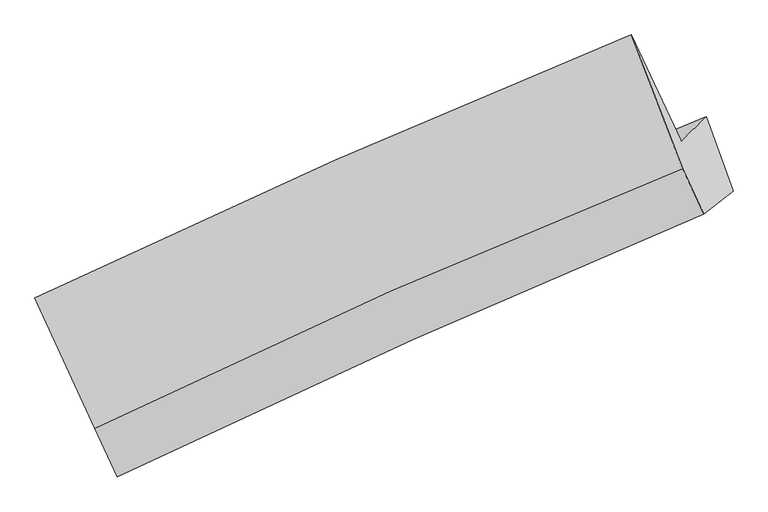
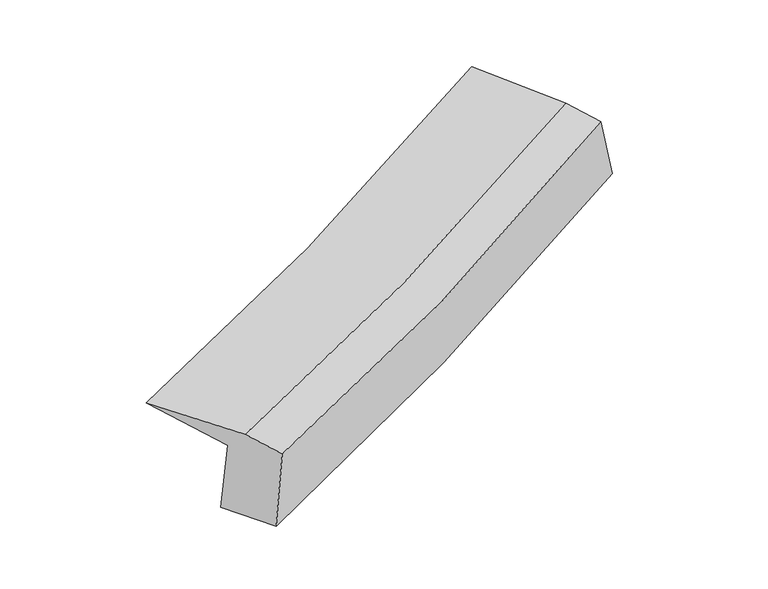
"""IFC4 building model written with IfcOpenShell, lengths in millimetres: proxy geometry."""

import ifcopenshell
import ifcopenshell.guid

model = None  # the IFC model being written
_history = None  # IfcOwnerHistory: only IFC2X3 demands one
_inside = {}  # id of a spatial element -> (the spatial element, [elements in it])
_under = {}  # id of a project, library or spatial element -> (it, [spatial elements below it])
_declared = {}  # id of a project -> (the project, [libraries it declares])
_typed = {}  # id of a type object -> (the type object, [elements of that type])
_made_of = {}  # id of a material, layer set ... -> (it, [elements and type objects made of it])


def new_model(schema):
    """Start an empty IFC model of exactly this schema.

    Asked for "IFC4X3", IfcOpenShell would pick the latest addendum, in which some entities
    have other attributes; the version numbers below select the first issue.
    IFC2X3 requires an IfcOwnerHistory on every rooted entity: one is made here for all.
    """
    global model, _history
    if schema == "IFC4X3":
        model = ifcopenshell.file(schema_version=(4, 3, 0, 0))
    else:
        model = ifcopenshell.file(schema=schema)
    _inside.clear()
    _under.clear()
    _declared.clear()
    _typed.clear()
    _made_of.clear()
    _history = None
    if model.schema == "IFC2X3":
        org = make("IfcOrganization", Name="unknown")
        user = make(
            "IfcPersonAndOrganization",
            ThePerson=make("IfcPerson", FamilyName="unknown"),
            TheOrganization=org,
        )
        app = make(
            "IfcApplication",
            ApplicationDeveloper=org,
            Version="unknown",
            ApplicationFullName="unknown",
            ApplicationIdentifier="unknown",
        )
        _history = make(
            "IfcOwnerHistory",
            OwningUser=user,
            OwningApplication=app,
            ChangeAction="ADDED",
            CreationDate=0,
        )
    return model


def make(cls, **values):
    """One entity of the class cls with the attributes given. An attribute that is None is left unset."""
    return model.create_entity(
        cls, **{name: value for name, value in values.items() if value is not None}
    )


def rooted(cls, **values):
    """An entity with a GlobalId (a new one), such as an element, a storey or a relation."""
    return make(cls, GlobalId=ifcopenshell.guid.new(), OwnerHistory=_history, **values)


def si_unit(unit_type, name, prefix=None):
    """IfcSIUnit, for example si_unit("LENGTHUNIT", "METRE", prefix="MILLI")."""
    return make("IfcSIUnit", UnitType=unit_type, Prefix=prefix, Name=name)


def assignment(units):
    """IfcUnitAssignment: the units of a project."""
    return None if units is None else make("IfcUnitAssignment", Units=units)


def point(xyz):
    """IfcCartesianPoint."""
    return None if xyz is None else make("IfcCartesianPoint", Coordinates=xyz)


def direction(xyz):
    """IfcDirection."""
    return None if xyz is None else make("IfcDirection", DirectionRatios=xyz)


def frame(location, z_axis=None, x_axis=None):
    """IfcAxis2Placement3D, a coordinate frame: its origin and axes. An axis left out is left unset."""
    return make(
        "IfcAxis2Placement3D",
        Location=point(location),
        Axis=direction(z_axis),
        RefDirection=direction(x_axis),
    )


def origin():
    """The frame at (0, 0, 0) with its axes left unset."""
    return frame((0.0, 0.0, 0.0))


def place(relative_to, where):
    """IfcLocalPlacement: puts the frame where relative to a parent placement (None: the world)."""
    return make(
        "IfcLocalPlacement", PlacementRelTo=relative_to, RelativePlacement=where
    )


def context(
    kind, dimensions, precision=None, world=None, true_north=None, identifier=None
):
    """IfcGeometricRepresentationContext, for example the 3D "Model" context."""
    return make(
        "IfcGeometricRepresentationContext",
        ContextIdentifier=identifier,
        ContextType=kind,
        CoordinateSpaceDimension=dimensions,
        Precision=precision,
        WorldCoordinateSystem=world,
        TrueNorth=true_north,
    )


def project(units=None, contexts=None):
    """IfcProject with its units and contexts."""
    return rooted(
        "IfcProject",
        Name="project",
        RepresentationContexts=contexts,
        UnitsInContext=assignment(units),
    )


def spatial(cls, under=None, at=None, **own):
    """A site, building, storey or space (cls), placed at a placement, below another one or the project."""
    s = rooted(cls, ObjectPlacement=at, **own)
    if under is not None:
        _under.setdefault(under.id(), (under, []))[1].append(s)
    return s


def shape(context_of_items, identifier, shape_type, items):
    """IfcShapeRepresentation: the items that make up one representation, for example the "Body"."""
    return make(
        "IfcShapeRepresentation",
        ContextOfItems=context_of_items,
        RepresentationIdentifier=identifier,
        RepresentationType=shape_type,
        Items=items,
    )


def source(mapping_origin, context_of_items, identifier, shape_type, items):
    """IfcRepresentationMap: a shape defined once, which mapped items show again and again."""
    return make(
        "IfcRepresentationMap",
        MappingOrigin=mapping_origin,
        MappedRepresentation=shape(context_of_items, identifier, shape_type, items),
    )


def transform(
    local_origin,
    x_axis=None,
    y_axis=None,
    z_axis=None,
    scale=None,
    scale2=None,
    scale3=None,
    uniform=True,
):
    """IfcCartesianTransformationOperator3D, or its non-uniform kind. x_axis, y_axis, z_axis: its Axis1, 2, 3."""
    if uniform:
        return make(
            "IfcCartesianTransformationOperator3D",
            Axis1=direction(x_axis),
            Axis2=direction(y_axis),
            LocalOrigin=point(local_origin),
            Scale=scale,
            Axis3=direction(z_axis),
        )
    return make(
        "IfcCartesianTransformationOperator3DnonUniform",
        Axis1=direction(x_axis),
        Axis2=direction(y_axis),
        LocalOrigin=point(local_origin),
        Scale=scale,
        Axis3=direction(z_axis),
        Scale2=scale2,
        Scale3=scale3,
    )


def mapped(mapping_source, mapping_target):
    """IfcMappedItem: shows the shape of a source again, moved by a transform."""
    return make(
        "IfcMappedItem", MappingSource=mapping_source, MappingTarget=mapping_target
    )


def made_of(thing, what):
    """Note that an element or type object is made of a material, layer set ...; save() writes the relation."""
    if what is not None:
        _made_of.setdefault(what.id(), (what, []))[1].append(thing)
    return thing


def element(
    cls,
    number,
    at=None,
    inside=None,
    cuts=None,
    type_object=None,
    material=None,
    context=None,
    identifier="Body",
    shape_type=None,
    held_by="IfcProductDefinitionShape",
    body=None,
    shapes=None,
    **own,
):
    """One element of the class cls, such as IfcWall. Its Tag is "e" and its number.

    at: its placement. inside: the storey or other place that contains it. cuts: it is an
    opening in that element (IfcRelVoidsElement). A single representation is given by context,
    identifier, shape_type and body (its items); several are given by shapes. held_by: the class
    of the entity that holds the representations. save() writes the other relations.
    """
    e = rooted(cls, Tag="e%d" % number, ObjectPlacement=at, **own)
    if body is not None:
        shapes = [shape(context, identifier, shape_type, body)]
    if shapes is not None:
        e.Representation = make(held_by, Representations=shapes)
    if inside is not None:
        _inside.setdefault(inside.id(), (inside, []))[1].append(e)
    if cuts is not None:
        rooted(
            "IfcRelVoidsElement", RelatingBuildingElement=cuts, RelatedOpeningElement=e
        )
    if type_object is not None:
        _typed.setdefault(type_object.id(), (type_object, []))[1].append(e)
    return made_of(e, material)


def aggregate(whole, parts):
    """IfcRelAggregates: a whole, such as a stair, and the parts it consists of."""
    return rooted("IfcRelAggregates", RelatingObject=whole, RelatedObjects=parts)


def save(model, path):
    """Write the relations noted so far, then the file.

    IfcRelAggregates (storeys below a building ...), IfcRelContainedInSpatialStructure (elements
    in a storey), IfcRelDefinesByType, IfcRelAssociatesMaterial and IfcRelDeclares: one each for
    every whole, place, type object, material and project.
    """
    for whole, parts in _under.values():
        aggregate(whole, parts)
    for where, things in _inside.values():
        rooted(
            "IfcRelContainedInSpatialStructure",
            RelatedElements=things,
            RelatingStructure=where,
        )
    for kind, things in _typed.values():
        rooted("IfcRelDefinesByType", RelatedObjects=things, RelatingType=kind)
    for what, things in _made_of.values():
        rooted("IfcRelAssociatesMaterial", RelatedObjects=things, RelatingMaterial=what)
    for by, libraries in _declared.values():
        rooted("IfcRelDeclares", RelatingContext=by, RelatedDefinitions=libraries)
    model.write(path)


def plane_surface(at):
    """IfcPlane: the flat surface through the origin of the frame at, square to its z axis."""
    return make("IfcPlane", Position=at)


def spline_curve(degree, points, multiplicities, knots, weights=None):
    """IfcBSplineCurveWithKnots; with weights, IfcRationalBSplineCurveWithKnots."""
    own = dict(
        Degree=degree,
        ControlPointsList=[point(p) for p in points],
        CurveForm="UNSPECIFIED",
        ClosedCurve=False,
        SelfIntersect=False,
        KnotMultiplicities=multiplicities,
        Knots=knots,
        KnotSpec="UNSPECIFIED",
    )
    if weights is None:
        return make("IfcBSplineCurveWithKnots", **own)
    return make("IfcRationalBSplineCurveWithKnots", WeightsData=weights, **own)


def spline_surface(u_degree, v_degree, points, u_multiplicities, v_multiplicities, u_knots, v_knots, weights=None):
    """IfcBSplineSurfaceWithKnots; with weights, IfcRationalBSplineSurfaceWithKnots. points: one row for each step in u."""
    own = dict(
        UDegree=u_degree,
        VDegree=v_degree,
        ControlPointsList=[[point(p) for p in row] for row in points],
        SurfaceForm="UNSPECIFIED",
        UClosed=False,
        VClosed=False,
        SelfIntersect=False,
        UMultiplicities=u_multiplicities,
        VMultiplicities=v_multiplicities,
        UKnots=u_knots,
        VKnots=v_knots,
        KnotSpec="UNSPECIFIED",
    )
    if weights is None:
        return make("IfcBSplineSurfaceWithKnots", **own)
    return make("IfcRationalBSplineSurfaceWithKnots", WeightsData=weights, **own)


def advanced_brep(points, edges, surfaces, faces):
    """IfcAdvancedBrep: a solid bounded by faces that lie on surfaces and meet in shared edges.

    An edge is (start, end): straight between two places in points (the first is 0);
    or (start, end, curve); or (start, end, curve, False) where it runs against its curve.
    A face is (place in surfaces, loops), or (place, loops, False) where it looks against
    its surface's normal. A loop lists edges by number (the first is 1), with a minus sign
    where the edge is run from its end to its start. The first loop is the outer one.
    """
    corners = [point(p) for p in points]
    vertices = [make("IfcVertexPoint", VertexGeometry=c) for c in corners]
    made = []
    for start, end, *more in edges:
        made.append(
            make(
                "IfcEdgeCurve",
                EdgeStart=vertices[start],
                EdgeEnd=vertices[end],
                EdgeGeometry=more[0] if more else make("IfcPolyline", Points=[corners[start], corners[end]]),
                SameSense=more[1] if len(more) > 1 else True,
            )
        )
    hull = []
    for where, loops, *sense in faces:
        bounds = []
        for j, loop in enumerate(loops):
            ring = [make("IfcOrientedEdge", EdgeElement=made[abs(k) - 1], Orientation=k > 0) for k in loop]
            bounds.append(
                make(
                    "IfcFaceOuterBound" if j == 0 else "IfcFaceBound",
                    Bound=make("IfcEdgeLoop", EdgeList=ring),
                    Orientation=True,
                )
            )
        hull.append(make("IfcAdvancedFace", Bounds=bounds, FaceSurface=surfaces[where], SameSense=sense[0] if sense else True))
    return make("IfcAdvancedBrep", Outer=make("IfcClosedShell", CfsFaces=hull))


def generic_models_7732ab77(model_context):
    return source(origin(), model_context, "Body", "AdvancedBrep", [
        advanced_brep(
        [(-2139.0661165, -2463.5943579, 1090.3605408), (-2123.8459845, -2547.8689467, 1752.2770398), (2013.8378342, -719.6487958, 2564.0489432), (2188.8993558, -551.6612925, 1939.0708339), (-2468.2334277, -1810.013875, 1854.138914), (1669.7889934, 17.4808154, 2665.8106666), (-2053.5290532, -2714.7623825, 1940.9343109), (2023.7459463, -909.2139343, 2738.7978536), (-1896.8175972, -3050.5189406, 1894.5826714), (2171.7591752, -1226.3344155, 2695.0189494), (-1907.1290903, -2968.484315, 1124.4528721), (2374.4680349, -1065.2334196, 2006.6097675)],
        [
            (0, 1),
            (1, 2, spline_curve(3, [(-2123.8459845, -2547.8689467, 1752.2770398), (-1428.790276057, -2206.038041973, 1778.528651299), (-736.179355312, -1882.662925362, 1859.400676842), (643.040710928, -1273.315643085, 2130.167210226), (1329.65772994, -987.284043004, 2319.885819381), (2013.8378342, -719.6487958, 2564.0489432)], [4, 2, 4], [0.0, 7.744875038790852, 15.477269253408103])),
            (2, 3),
            (3, 0, spline_curve(3, [(2188.8993558, -551.6612925, 1939.0708339), (1474.282624607, -831.164534342, 1677.971716378), (756.603779243, -1130.099746648, 1476.70504514), (-686.04148532, -1767.34798785, 1193.608307888), (-1411.017797249, -2105.723797347, 1111.971547868), (-2139.0661165, -2463.5943579, 1090.3605408)], [4, 2, 4], [0.0, 7.732394214617251, 15.477269253408103])),
            (1, 4),
            (4, 5, spline_curve(3, [(-2468.2334277, -1810.013875, 1854.138914), (-1769.296393746, -1476.498766138, 1879.242518753), (-1074.718113101, -1157.338746908, 1959.532644412), (304.608657271, -548.220079185, 2230.267617506), (989.371183356, -258.215201646, 2420.534742704), (1669.7889934, 17.4808154, 2665.8106666)], [4, 2, 4], [0.0, 7.569400303980021, 15.1266025603711])),
            (5, 2),
            (4, 6),
            (6, 7, spline_curve(3, [(-2053.5290532, -2714.7623825, 1940.9343109), (-1364.978060065, -2379.422640816, 1952.853148702), (-680.659065112, -2061.182845134, 2025.403666322), (678.4189728, -1459.388430903, 2291.553438488), (1353.1916441, -1175.778743935, 2484.957435107), (2023.7459463, -909.2139343, 2738.7978536)], [4, 2, 4], [0.0, 7.518035141786755, 15.023955010665215])),
            (7, 5),
            (6, 8),
            (8, 9, spline_curve(3, [(-1896.8175972, -3050.5189406, 1894.5826714), (-1206.717954774, -2718.497202232, 1906.043454399), (-522.351281321, -2400.359558517, 1978.579869887), (833.822513782, -1792.34276223, 2245.588650022), (1505.64809757, -1502.418897845, 2439.864327358), (2171.7591752, -1226.3344155, 2695.0189494)], [4, 2, 4], [0.0, 7.466836090647788, 14.921639415380863])),
            (9, 7),
            (8, 10),
            (10, 11, spline_curve(3, [(-1907.1290903, -2968.484315, 1124.4528721), (-1181.32234864, -2625.606380548, 1164.906991297), (-461.336185099, -2295.445520722, 1258.749423842), (965.844111927, -1661.069509619, 1552.973653409), (1673.056990052, -1356.813404238, 1753.183519563), (2374.4680349, -1065.2334196, 2006.6097675)], [4, 2, 4], [0.0, 7.657789668737113, 15.303238850902755])),
            (11, 9),
            (10, 0),
            (3, 11),
        ],
        [
            spline_surface(3, 3, [[(-2139.0661165, -2463.5943579, 1090.3605408), (-1411.017797201, -2105.723797226, 1111.971547836), (-686.041485215, -1767.347987773, 1193.608307764), (756.603779139, -1130.099746725, 1476.705045264), (1474.282624608, -831.164534366, 1677.971716375), (2188.8993558, -551.6612925, 1939.0708339)], [(-2133.992739182, -2491.685887516, 1310.99937382), (-1416.941956812, -2139.161878845, 1334.157248985), (-702.75410861, -1805.786300244, 1415.539097402), (718.749423097, -1177.83837885, 1694.525766941), (1426.074326406, -883.204370583, 1891.94308404), (2130.545515286, -607.657126949, 2147.396870348)], [(-2128.919361818, -2519.777417084, 1531.63820678), (-1422.866116378, -2172.599960415, 1556.342950075), (-719.466732004, -1844.224612795, 1637.469887087), (680.895067057, -1225.577011055, 1912.346488666), (1377.866028147, -935.244206754, 2105.914451659), (2072.191674714, -663.652961351, 2355.722906752)], [(-2123.8459845, -2547.8689467, 1752.2770398), (-1428.790275989, -2206.038042034, 1778.528651225), (-736.179355399, -1882.662925266, 1859.400676725), (643.040711015, -1273.315643181, 2130.167210342), (1329.657729945, -987.284042971, 2319.885819324), (2013.8378342, -719.6487958, 2564.0489432)]], [4, 4], [4, 2, 4], [0.0, 2.2215819080299206], [0.0, 7.744875038790852, 15.477269253408103]),
            spline_surface(3, 3, [[(-2123.8459845, -2547.8689467, 1752.2770398), (-1428.790275989, -2206.038042034, 1778.528651225), (-736.179355399, -1882.662925266, 1859.400676725), (643.040711015, -1273.315643181, 2130.167210342), (1329.657729945, -987.284042971, 2319.885819324), (2013.8378342, -719.6487958, 2564.0489432)], [(-2238.641798902, -2301.91725612, 1786.230997853), (-1542.292315238, -1962.858283405, 1812.099940385), (-849.025607924, -1640.888199168, 1892.777999275), (530.230026403, -1031.617121849, 2163.534012723), (1216.228881094, -744.261095828, 2353.43546045), (1899.154887255, -473.938925375, 2597.969517658)], [(-2353.437613298, -2055.96556558, 1820.184955947), (-1655.794354483, -1719.678524818, 1845.671229586), (-961.871860466, -1399.113473038, 1926.155321855), (417.419341773, -789.918600485, 2196.900815133), (1102.800032277, -501.238148758, 2386.9851016), (1784.471940345, -228.229055025, 2631.890092142)], [(-2468.2334277, -1810.013875, 1854.138914), (-1769.296393732, -1476.498766189, 1879.242518746), (-1074.718112991, -1157.33874694, 1959.532644404), (304.608657161, -548.220079153, 2230.267617514), (989.371183426, -258.215201615, 2420.534742725), (1669.7889934, 17.4808154, 2665.8106666)]], [4, 4], [4, 2, 4], [0.0, 2.6461663405614573], [0.0, 7.569400303980021, 15.1266025603711]),
            spline_surface(3, 3, [[(-2468.2334277, -1810.013875, 1854.138914), (-1769.296393732, -1476.498766189, 1879.242518746), (-1074.718112991, -1157.33874694, 1959.532644404), (304.608657161, -548.220079153, 2230.267617514), (989.371183426, -258.215201615, 2420.534742725), (1669.7889934, 17.4808154, 2665.8106666)], [(-2329.998636182, -2111.596710826, 1883.070712971), (-1634.523615848, -1777.473391069, 1903.779395433), (-943.365096997, -1458.620113002, 1981.489651736), (429.212095699, -851.942863085, 2250.696224487), (1110.644670333, -564.06971573, 2442.008973513), (1787.774644351, -291.417434523, 2690.139728949)], [(-2191.763844718, -2413.179546674, 1912.002511929), (-1499.750838019, -2078.44801597, 1928.316272107), (-812.012081043, -1759.901479044, 2003.446659057), (553.815534198, -1155.665646998, 2271.124831449), (1231.918157286, -869.924229776, 2463.483204255), (1905.760295349, -600.315684377, 2714.468791251)], [(-2053.5290532, -2714.7623825, 1940.9343109), (-1364.978060134, -2379.422640849, 1952.853148795), (-680.659065049, -2061.182845106, 2025.403666388), (678.418972737, -1459.388430931, 2291.553438422), (1353.191644193, -1175.778743892, 2484.957435044), (2023.7459463, -909.2139343, 2738.7978536)]], [4, 4], [4, 2, 4], [0.0, 3.2395995697705025], [0.0, 7.518035141786755, 15.023955010665215]),
            spline_surface(3, 3, [[(-2053.5290532, -2714.7623825, 1940.9343109), (-1364.978060134, -2379.422640849, 1952.853148795), (-680.659065049, -2061.182845106, 2025.403666388), (678.418972737, -1459.388430931, 2291.553438422), (1353.191644193, -1175.778743892, 2484.957435044), (2023.7459463, -909.2139343, 2738.7978536)], [(-2001.291901202, -2826.681235221, 1925.483764406), (-1312.224691722, -2492.447494696, 1937.249917374), (-627.88980382, -2174.241749541, 2009.795734239), (730.22015306, -1570.373208042, 2276.231842309), (1404.010462033, -1284.658795191, 2469.926399128), (2073.083689296, -1014.920761352, 2724.204885513)], [(-1949.054749198, -2938.600087879, 1910.033217894), (-1259.471323303, -2605.472348479, 1921.646685936), (-575.120542533, -2287.300654012, 1994.187802033), (782.021333441, -1681.357985189, 2260.910246139), (1454.829279785, -1393.538846533, 2454.895363274), (2122.421432204, -1120.627588448, 2709.611917487)], [(-1896.8175972, -3050.5189406, 1894.5826714), (-1206.71795489, -2718.497202325, 1906.043454515), (-522.351281304, -2400.359558447, 1978.579869883), (833.822513765, -1792.3427623, 2245.588650026), (1505.648097624, -1502.418897833, 2439.864327359), (2171.7591752, -1226.3344155, 2695.0189494)]], [4, 4], [4, 2, 4], [0.0, 1.226263367380382], [0.0, 7.466836090647788, 14.921639415380863]),
            spline_surface(3, 3, [[(-1896.8175972, -3050.5189406, 1894.5826714), (-1206.71795489, -2718.497202325, 1906.043454515), (-522.351281304, -2400.359558447, 1978.579869883), (833.822513765, -1792.3427623, 2245.588650026), (1505.648097624, -1502.418897833, 2439.864327359), (2171.7591752, -1226.3344155, 2695.0189494)], [(-1900.254761571, -3023.174065399, 1637.872738281), (-1198.252752851, -2687.533595053, 1658.997966764), (-502.012915929, -2365.388212557, 1738.636387823), (877.829713183, -1748.585011407, 2014.716984508), (1561.451061795, -1453.883733311, 2210.970724755), (2239.328795095, -1172.634083554, 2465.549222094)], [(-1903.691925929, -2995.829190201, 1381.162805219), (-1189.787550799, -2656.569987784, 1411.952479069), (-481.674550561, -2330.416866637, 1498.6929058), (921.836912595, -1704.827260486, 1783.845319029), (1617.254025983, -1405.348568726, 1982.07712217), (2306.898415005, -1118.933751546, 2236.079494806)], [(-1907.1290903, -2968.484315, 1124.4528721), (-1181.322348759, -2625.606380513, 1164.906991318), (-461.336185186, -2295.445520747, 1258.749423739), (965.844112013, -1661.069509593, 1552.973653512), (1673.056990154, -1356.813404204, 1753.183519566), (2374.4680349, -1065.2334196, 2006.6097675)]], [4, 4], [4, 2, 4], [0.0, 2.370454805709236], [0.0, 7.657789668737113, 15.303238850902755]),
            spline_surface(3, 3, [[(-1907.1290903, -2968.484315, 1124.4528721), (-1181.322348759, -2625.606380513, 1164.906991318), (-461.336185186, -2295.445520747, 1258.749423739), (965.844112013, -1661.069509593, 1552.973653512), (1673.056990154, -1356.813404204, 1753.183519566), (2374.4680349, -1065.2334196, 2006.6097675)], [(-1984.441432362, -2800.187662618, 1113.08876167), (-1257.887498235, -2452.312186068, 1147.261843493), (-536.237951864, -2119.413009767, 1237.03571843), (896.097334387, -1484.079588648, 1527.550784112), (1606.79886829, -1181.597114238, 1728.112918507), (2312.611808518, -894.042710546, 1984.096789638)], [(-2061.753774438, -2631.891010282, 1101.72465123), (-1334.452647725, -2279.01799167, 1129.61669566), (-611.139718537, -1943.380498753, 1215.322013073), (826.350556765, -1307.08966767, 1502.127914664), (1540.540746472, -1006.380824332, 1703.042317434), (2250.755582182, -722.852001554, 1961.583811762)], [(-2139.0661165, -2463.5943579, 1090.3605408), (-1411.017797201, -2105.723797226, 1111.971547836), (-686.041485215, -1767.347987773, 1193.608307764), (756.603779139, -1130.099746725, 1476.705045264), (1474.282624608, -831.164534366, 1677.971716375), (2188.8993558, -551.6612925, 1939.0708339)]], [4, 4], [4, 2, 4], [0.0, 1.8917788746516542], [0.0, 7.884419150442533, 15.756132602131403]),
            plane_surface(frame((2073.74989, -742.4351737, 2434.8928357), z_axis=(0.8693057168909338, 0.3588111223239466, 0.3399443323212926), x_axis=(0.27560907908896726, 0.2190377725593076, -0.9359818853567565))),
            plane_surface(frame((-2098.1035449, -2592.5404696, 1609.4577248), z_axis=(-0.9073902366880403, -0.41903174984589153, -0.03248616604513835), x_axis=(0.41665793747851537, -0.9069979539605024, 0.06124438462105643))),
        ],
        [
            (0, [[1, 2, 3, 4]]),
            (1, [[5, 6, 7, -2]]),
            (2, [[8, 9, 10, -6]]),
            (3, [[11, 12, 13, -9]]),
            (4, [[14, 15, 16, -12]]),
            (5, [[17, -4, 18, -15]]),
            (6, [[-16, -18, -3, -7, -10, -13]]),
            (7, [[-17, -14, -11, -8, -5, -1]]),
        ],
    ),
    ])


if __name__ == "__main__":
    model = new_model("IFC4")
    model_context = context("Model", 3, world=origin())
    ifc_project = project(units=[si_unit("LENGTHUNIT", "METRE", prefix="MILLI")], contexts=[model_context])
    site = spatial("IfcSite", under=ifc_project)
    building = spatial("IfcBuilding", under=site)
    placement = place(None, origin())
    generic_models_shape = generic_models_7732ab77(model_context)
    element("IfcBuildingElementProxy", 1, Name="Generic Models", at=placement, inside=building, context=model_context, shape_type="MappedRepresentation", body=[
        mapped(generic_models_shape, transform((0.0, 0.0, 0.0), x_axis=(1.0, 0.0, 0.0), y_axis=(0.0, 1.0, 0.0), z_axis=(0.0, 0.0, 1.0))),
    ])
    save(model, "model.ifc")
